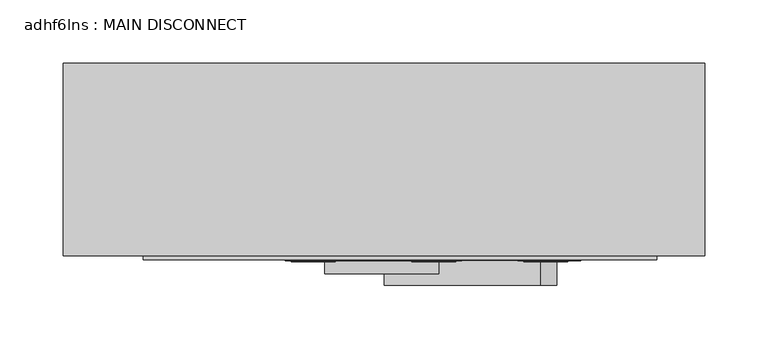
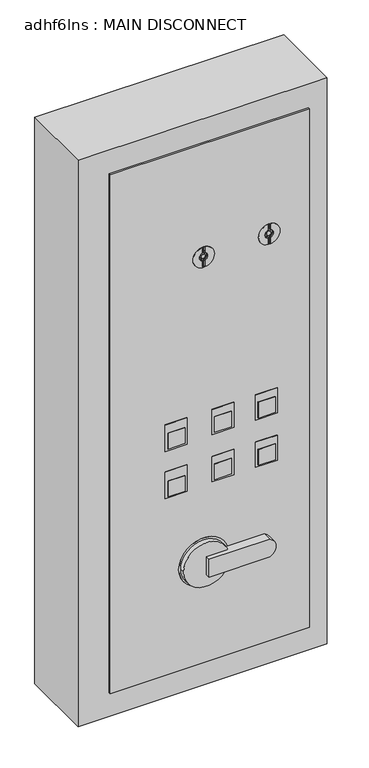
"""IFC4 building model written with IfcOpenShell, lengths in millimetres: proxy geometry, adhf6lns : MAIN DISCONNECT."""

from ifc_helpers import new_model, si_unit, point, frame, frame_2d, origin, place, context, project, spatial, polyline, circle_curve, trimmed, segment, composite_curve, outline, extrude, source, transform, mapped, element, save
from ifc_brep_helpers import plane_surface, revolved_surface, advanced_brep


def adhf6lns_main_disconnect_5f23b8db(model_context):
    return source(origin(), model_context, "Body", "SolidModel", [
        extrude(outline(polyline([(324.9952106, -65.8007901), (290.1306483, -65.8007901), (290.1306483, -58.5205903), (324.9952106, -58.5205903), (324.9952106, -65.8007901)])), frame((0.0, 0.0, 1352.3263984), z_axis=(0.0, 0.0, 1.0), x_axis=(1.0, 0.0, 0.0)), (0.0, 0.0, 1.0), 33.6843604),
        extrude(outline(polyline([(236.0952106, -65.8007901), (201.2306483, -65.8007901), (201.2306483, -58.5205903), (236.0952106, -58.5205903), (236.0952106, -65.8007901)])), frame((0.0, 0.0, 1352.3263984), z_axis=(0.0, 0.0, 1.0), x_axis=(1.0, 0.0, 0.0)), (0.0, 0.0, 1.0), 33.6843604),
        extrude(outline(polyline([(140.8452106, -65.8007901), (105.9806483, -65.8007901), (105.9806483, -58.5205903), (140.8452106, -58.5205903), (140.8452106, -65.8007901)])), frame((0.0, 0.0, 1348.3576484), z_axis=(0.0, 0.0, 1.0), x_axis=(1.0, 0.0, 0.0)), (0.0, 0.0, 1.0), 33.6843604),
        extrude(outline(polyline([(324.9952106, -65.8792726), (290.1306483, -65.8792726), (290.1306483, -58.5132726), (324.9952106, -58.5132726), (324.9952106, -65.8792726)])), frame((0.0, 0.0, 1454.0267412), z_axis=(0.0, 0.0, 1.0), x_axis=(1.0, 0.0, 0.0)), (0.0, 0.0, 1.0), 33.6843604),
        extrude(outline(polyline([(236.0952106, -65.8792726), (201.2306483, -65.8792726), (201.2306483, -58.5132726), (236.0952106, -58.5132726), (236.0952106, -65.8792726)])), frame((0.0, 0.0, 1454.0267412), z_axis=(0.0, 0.0, 1.0), x_axis=(1.0, 0.0, 0.0)), (0.0, 0.0, 1.0), 33.6843604),
        extrude(outline(polyline([(140.8452106, -65.8792726), (105.9806483, -65.8792726), (105.9806483, -58.5132726), (140.8452106, -58.5132726), (140.8452106, -65.8792726)])), frame((0.0, 0.0, 1451.6454912), z_axis=(0.0, 0.0, 1.0), x_axis=(1.0, 0.0, 0.0)), (0.0, 0.0, 1.0), 33.6843604),
        extrude(outline(polyline([(145.5268519, -65.1172726), (101.0768519, -65.1172726), (101.0768519, -24.8791734), (145.5268519, -24.8791734), (145.5268519, -65.1172726)])), frame((0.0, 0.0, 1345.9279724), z_axis=(0.0, 0.0, 1.0), x_axis=(1.0, 0.0, 0.0)), (0.0, 0.0, 1.0), 57.15),
        extrude(outline(polyline([(240.7768519, -65.1172726), (196.3268519, -65.1172726), (196.3268519, -24.8791734), (240.7768519, -24.8791734), (240.7768519, -65.1172726)])), frame((0.0, 0.0, 1349.1029724), z_axis=(0.0, 0.0, 1.0), x_axis=(1.0, 0.0, 0.0)), (0.0, 0.0, 1.0), 53.975),
        extrude(outline(polyline([(329.6768519, -65.1172726), (285.2268519, -65.1172726), (285.2268519, -24.8791734), (329.6768519, -24.8791734), (329.6768519, -65.1172726)])), frame((0.0, 0.0, 1349.1029724), z_axis=(0.0, 0.0, 1.0), x_axis=(1.0, 0.0, 0.0)), (0.0, 0.0, 1.0), 53.975),
        extrude(outline(polyline([(145.5268519, -65.1172726), (101.0768519, -65.1172726), (101.0768519, -24.8791734), (145.5268519, -24.8791734), (145.5268519, -65.1172726)])), frame((0.0, 0.0, 1447.5279724), z_axis=(0.0, 0.0, 1.0), x_axis=(1.0, 0.0, 0.0)), (0.0, 0.0, 1.0), 57.15),
        extrude(outline(polyline([(240.7768519, -65.1172726), (196.3268519, -65.1172726), (196.3268519, -24.8791734), (240.7768519, -24.8791734), (240.7768519, -65.1172726)])), frame((0.0, 0.0, 1450.7029724), z_axis=(0.0, 0.0, 1.0), x_axis=(1.0, 0.0, 0.0)), (0.0, 0.0, 1.0), 53.975),
        extrude(outline(polyline([(329.6768519, -65.1172726), (285.2268519, -65.1172726), (285.2268519, -24.8791734), (329.6768519, -24.8791734), (329.6768519, -65.1172726)])), frame((0.0, 0.0, 1450.7029724), z_axis=(0.0, 0.0, 1.0), x_axis=(1.0, 0.0, 0.0)), (0.0, 0.0, 1.0), 53.975),
        extrude(outline(composite_curve([segment(trimmed(circle_curve(frame_2d((1841.8741479, 313.2987222)), 4.2187176), [point((1841.8741479, 309.0800045))], [point((1841.8741479, 317.5174398))], False, "CARTESIAN"), True, "CONTINUOUS"), segment(trimmed(circle_curve(frame_2d((1841.8741479, 313.2987222)), 4.2187176), [point((1841.8741479, 317.5174398))], [point((1841.8741479, 309.0800045))], False, "CARTESIAN"), True, "CONTINUOUS")], self_intersect=False)), frame((0.0, -62.7941271, 0.0), z_axis=(0.0, 1.0, 0.0), x_axis=(0.0, 0.0, 1.0)), (0.0, 0.0, 1.0), 8.4350964),
        extrude(outline(composite_curve([segment(trimmed(circle_curve(frame_2d((1839.4928979, 179.299363)), 4.2187176), [point((1839.4928979, 175.0806453))], [point((1839.4928979, 183.5180806))], False, "CARTESIAN"), True, "CONTINUOUS"), segment(trimmed(circle_curve(frame_2d((1839.4928979, 179.299363)), 4.2187176), [point((1839.4928979, 183.5180806))], [point((1839.4928979, 175.0806453))], False, "CARTESIAN"), True, "CONTINUOUS")], self_intersect=False)), frame((0.0, -62.7941271, 0.0), z_axis=(0.0, 1.0, 0.0), x_axis=(0.0, 0.0, 1.0)), (0.0, 0.0, 1.0), 8.4350964),
        extrude(outline(composite_curve([segment(trimmed(circle_curve(frame_2d((1841.6472408, 313.3932634)), 21.844), [point((1841.6472408, 291.5492634))], [point((1841.6472408, 335.2372634))], False, "CARTESIAN"), True, "CONTINUOUS"), segment(trimmed(circle_curve(frame_2d((1841.6472408, 313.3932634)), 21.844), [point((1841.6472408, 335.2372634))], [point((1841.6472408, 291.5492634))], False, "CARTESIAN"), True, "CONTINUOUS")], self_intersect=False), holes=[composite_curve([segment(polyline([(1862.1743394, 311.3143472), (1862.1743394, 315.8298976), (1850.0112759, 315.8298976)]), True, "CONTINUOUS"), segment(trimmed(circle_curve(frame_2d((1841.8741479, 313.2987222)), 8.5217195), [point((1850.0112759, 315.8298976))], [point((1833.7370198, 315.8298976))], True, "CARTESIAN"), True, "CONTINUOUS"), segment(polyline([(1833.7370198, 315.8298976), (1820.5830491, 315.8298976), (1820.5830491, 311.3143472), (1833.5866899, 311.3143472)]), True, "CONTINUOUS"), segment(trimmed(circle_curve(frame_2d((1841.8741479, 313.2987222)), 8.5217195), [point((1833.5866899, 311.3143472))], [point((1850.1616058, 311.3143472))], True, "CARTESIAN"), True, "CONTINUOUS"), segment(polyline([(1850.1616058, 311.3143472), (1862.1743394, 311.3143472)]), True, "CONTINUOUS")], self_intersect=False)]), frame((0.0, -64.9245996, 0.0), z_axis=(0.0, 1.0, 0.0), x_axis=(0.0, 0.0, 1.0)), (0.0, 0.0, 1.0), 2.1304725),
        extrude(outline(composite_curve([segment(trimmed(circle_curve(frame_2d((1838.8250168, 179.3693622)), 21.8161271), [point((1838.8250168, 157.553235))], [point((1838.8250168, 201.1854893))], False, "CARTESIAN"), True, "CONTINUOUS"), segment(trimmed(circle_curve(frame_2d((1838.8250168, 179.3693622)), 21.8161271), [point((1838.8250168, 201.1854893))], [point((1838.8250168, 157.553235))], False, "CARTESIAN"), True, "CONTINUOUS")], self_intersect=False), holes=[composite_curve([segment(polyline([(1859.7930894, 177.1705972), (1859.7930894, 181.6861476), (1847.6300259, 181.6861476)]), True, "CONTINUOUS"), segment(trimmed(circle_curve(frame_2d((1839.4928979, 179.1549722)), 8.5217195), [point((1847.6300259, 181.6861476))], [point((1831.3557698, 181.6861476))], True, "CARTESIAN"), True, "CONTINUOUS"), segment(polyline([(1831.3557698, 181.6861476), (1818.2017991, 181.6861476), (1818.2017991, 177.1705972), (1831.2054399, 177.1705972)]), True, "CONTINUOUS"), segment(trimmed(circle_curve(frame_2d((1839.4928979, 179.1549722)), 8.5217195), [point((1831.2054399, 177.1705972))], [point((1847.7803558, 177.1705972))], True, "CARTESIAN"), True, "CONTINUOUS"), segment(polyline([(1847.7803558, 177.1705972), (1859.7930894, 177.1705972)]), True, "CONTINUOUS")], self_intersect=False)]), frame((0.0, -64.9245996, 0.0), z_axis=(0.0, 1.0, 0.0), x_axis=(0.0, 0.0, 1.0)), (0.0, 0.0, 1.0), 2.1304725),
        extrude(outline(polyline([(965.2, -11.1306378), (965.2, 395.2693622), (2082.8, 395.2693622), (2082.8, -11.1306378), (965.2, -11.1306378)]), holes=[composite_curve([segment(polyline([(1862.1743394, 311.3143472), (1862.1743394, 315.8298976), (1850.0112759, 315.8298976)]), True, "CONTINUOUS"), segment(trimmed(circle_curve(frame_2d((1841.8741479, 313.2987222)), 8.5217195), [point((1850.0112759, 315.8298976))], [point((1833.7370198, 315.8298976))], True, "CARTESIAN"), True, "CONTINUOUS"), segment(polyline([(1833.7370198, 315.8298976), (1820.5830491, 315.8298976), (1820.5830491, 311.3143472), (1833.5866899, 311.3143472)]), True, "CONTINUOUS"), segment(trimmed(circle_curve(frame_2d((1841.8741479, 313.2987222)), 8.5217195), [point((1833.5866899, 311.3143472))], [point((1850.1616058, 311.3143472))], True, "CARTESIAN"), True, "CONTINUOUS"), segment(polyline([(1850.1616058, 311.3143472), (1862.1743394, 311.3143472)]), True, "CONTINUOUS")], self_intersect=False), composite_curve([segment(polyline([(1859.7930894, 177.1705972), (1859.7930894, 181.6861476), (1847.6300259, 181.6861476)]), True, "CONTINUOUS"), segment(trimmed(circle_curve(frame_2d((1839.4928979, 179.1549722)), 8.5217195), [point((1847.6300259, 181.6861476))], [point((1831.3557698, 181.6861476))], True, "CARTESIAN"), True, "CONTINUOUS"), segment(polyline([(1831.3557698, 181.6861476), (1818.2017991, 181.6861476), (1818.2017991, 177.1705972), (1831.2054399, 177.1705972)]), True, "CONTINUOUS"), segment(trimmed(circle_curve(frame_2d((1839.4928979, 179.1549722)), 8.5217195), [point((1831.2054399, 177.1705972))], [point((1847.7803558, 177.1705972))], True, "CARTESIAN"), True, "CONTINUOUS"), segment(polyline([(1847.7803558, 177.1705972), (1859.7930894, 177.1705972)]), True, "CONTINUOUS")], self_intersect=False)]), frame((0.0, -64.3990561, 0.0), z_axis=(0.0, 1.0, 0.0), x_axis=(0.0, 0.0, 1.0)), (0.0, 0.0, 1.0), 3.302),
        advanced_brep(
        [(433.3693622, -61.0970561, 2133.6), (433.3693622, 91.3029439, 2133.6), (-74.6306378, 91.3029439, 2133.6), (-74.6306378, -61.0970561, 2133.6), (433.3693622, -61.0970561, 914.4), (-74.6306378, -61.0970561, 914.4), (-74.6306378, 91.3029439, 914.4), (433.3693622, 91.3029439, 914.4), (311.3143472, -61.0970561, 1862.1743394), (315.8298976, -61.0970561, 1862.1743394), (315.8298976, -61.0970561, 1850.0112759), (315.8298976, -61.0970561, 1833.7370198), (315.8298976, -61.0970561, 1820.5830491), (311.3143472, -61.0970561, 1820.5830491), (311.3143472, -61.0970561, 1833.5866899), (311.3143472, -61.0970561, 1850.1616058), (177.1705972, -61.0970561, 1859.7930894), (181.6861476, -61.0970561, 1859.7930894), (181.6861476, -61.0970561, 1847.6300259), (181.6861476, -61.0970561, 1831.3557698), (181.6861476, -61.0970561, 1818.2017991), (177.1705972, -61.0970561, 1818.2017991), (177.1705972, -61.0970561, 1831.2054399), (177.1705972, -61.0970561, 1847.7803558), (311.3143472, -54.3590307, 1862.1743394), (311.3143472, -54.3590307, 1850.1616058), (311.3143472, -54.3590307, 1833.5866899), (311.3143472, -54.3590307, 1820.5830491), (315.8298976, -54.3590307, 1820.5830491), (315.8298976, -54.3590307, 1833.7370198), (315.8298976, -54.3590307, 1850.0112759), (315.8298976, -54.3590307, 1862.1743394), (177.1705972, -54.3590307, 1859.7930894), (177.1705972, -54.3590307, 1847.7803558), (177.1705972, -54.3590307, 1831.2054399), (177.1705972, -54.3590307, 1818.2017991), (181.6861476, -54.3590307, 1818.2017991), (181.6861476, -54.3590307, 1831.3557698), (181.6861476, -54.3590307, 1847.6300259), (181.6861476, -54.3590307, 1859.7930894)],
        [
            (0, 1),
            (1, 2),
            (2, 3),
            (3, 0),
            (4, 5),
            (5, 6),
            (6, 7),
            (7, 4),
            (0, 4),
            (7, 1),
            (6, 2),
            (5, 3),
            (8, 9),
            (9, 10),
            (10, 11, circle_curve(frame((313.2987222, -61.0970561, 1841.8741479), z_axis=(0.0, 1.0, 0.0), x_axis=(-1.0, 0.0, 0.0)), 8.5217195)),
            (11, 12),
            (12, 13),
            (13, 14),
            (14, 15, circle_curve(frame((313.2987222, -61.0970561, 1841.8741479), z_axis=(0.0, 1.0, 0.0), x_axis=(-1.0, 0.0, 0.0)), 8.5217195)),
            (15, 8),
            (16, 17),
            (17, 18),
            (18, 19, circle_curve(frame((179.1549722, -61.0970561, 1839.4928979), z_axis=(0.0, 1.0, 0.0), x_axis=(-1.0, 0.0, 0.0)), 8.5217195)),
            (19, 20),
            (20, 21),
            (21, 22),
            (22, 23, circle_curve(frame((179.1549722, -61.0970561, 1839.4928979), z_axis=(0.0, 1.0, 0.0), x_axis=(-1.0, 0.0, 0.0)), 8.5217195)),
            (23, 16),
            (24, 25),
            (25, 26, circle_curve(frame((313.2987222, -54.3590307, 1841.8741479), z_axis=(0.0, -1.0, 0.0), x_axis=(-1.0, 0.0, 0.0)), 8.5217195)),
            (26, 27),
            (27, 28),
            (28, 29),
            (29, 30, circle_curve(frame((313.2987222, -54.3590307, 1841.8741479), z_axis=(0.0, -1.0, 0.0), x_axis=(-1.0, 0.0, 0.0)), 8.5217195)),
            (30, 31),
            (31, 24),
            (32, 33),
            (33, 34, circle_curve(frame((179.1549722, -54.3590307, 1839.4928979), z_axis=(0.0, -1.0, 0.0), x_axis=(-1.0, 0.0, 0.0)), 8.5217195)),
            (34, 35),
            (35, 36),
            (36, 37),
            (37, 38, circle_curve(frame((179.1549722, -54.3590307, 1839.4928979), z_axis=(0.0, -1.0, 0.0), x_axis=(-1.0, 0.0, 0.0)), 8.5217195)),
            (38, 39),
            (39, 32),
            (31, 9),
            (8, 24),
            (30, 10),
            (29, 11),
            (28, 12),
            (27, 13),
            (26, 14),
            (25, 15),
            (39, 17),
            (16, 32),
            (38, 18),
            (37, 19),
            (36, 20),
            (35, 21),
            (34, 22),
            (33, 23),
        ],
        [
            plane_surface(frame((433.3693622, -61.0970561, 2133.6), z_axis=(0.0, 0.0, 1.0), x_axis=(0.0, 1.0, 0.0))),
            plane_surface(frame((433.3693622, -61.0970561, 914.4), z_axis=(0.0, 0.0, -1.0), x_axis=(0.0, -1.0, 0.0))),
            plane_surface(frame((433.3693622, -61.0970561, 2133.6), z_axis=(1.0, 0.0, 0.0), x_axis=(0.0, 0.0, -1.0))),
            plane_surface(frame((433.3693622, 91.3029439, 2133.6), z_axis=(0.0, 1.0, 0.0), x_axis=(0.0, 0.0, -1.0))),
            plane_surface(frame((-74.6306378, 91.3029439, 2133.6), z_axis=(-1.0, 0.0, 0.0), x_axis=(0.0, 0.0, -1.0))),
            plane_surface(frame((-74.6306378, -61.0970561, 2133.6), z_axis=(0.0, -1.0, 0.0), x_axis=(0.0, 0.0, -1.0))),
            plane_surface(frame((311.3143472, -54.3590307, 1862.1743394), z_axis=(0.0, -1.0, 0.0), x_axis=(1.0, 0.0, 0.0))),
            plane_surface(frame((311.3143472, -54.3590307, 1862.1743394), z_axis=(0.0, 0.0, -1.0), x_axis=(0.0, -1.0, 0.0))),
            plane_surface(frame((315.8298976, -54.3590307, 1862.1743394), z_axis=(-1.0, 0.0, 0.0), x_axis=(0.0, -1.0, 0.0))),
            revolved_surface(polyline([(304.77700269999997, -54.3590307, 1841.8741479), (304.77700269999997, -61.0970561, 1841.8741479)]), (313.2987222, -64.9245996, 1841.8741479), (0.0, 1.0, 0.0)),
            plane_surface(frame((315.8298976, -54.3590307, 1833.7370198), z_axis=(-1.0, 0.0, 0.0), x_axis=(0.0, -1.0, 0.0))),
            plane_surface(frame((315.8298976, -54.3590307, 1820.5830491), z_axis=(0.0, 0.0, 1.0), x_axis=(0.0, -1.0, 0.0))),
            plane_surface(frame((311.3143472, -54.3590307, 1820.5830491), z_axis=(1.0, 0.0, 0.0), x_axis=(0.0, -1.0, 0.0))),
            plane_surface(frame((311.3143472, -54.3590307, 1850.1616058), z_axis=(1.0, 0.0, 0.0), x_axis=(0.0, -1.0, 0.0))),
            plane_surface(frame((177.1705972, -54.3590307, 1859.7930894), z_axis=(0.0, 0.0, -1.0), x_axis=(0.0, -1.0, 0.0))),
            plane_surface(frame((181.6861476, -54.3590307, 1859.7930894), z_axis=(-1.0, 0.0, 0.0), x_axis=(0.0, -1.0, 0.0))),
            revolved_surface(polyline([(170.6332527, -54.3590307, 1839.4928979), (170.6332527, -61.0970561, 1839.4928979)]), (179.1549722, -64.9245996, 1839.4928979), (0.0, 1.0, 0.0)),
            plane_surface(frame((181.6861476, -54.3590307, 1831.3557698), z_axis=(-1.0, 0.0, 0.0), x_axis=(0.0, -1.0, 0.0))),
            plane_surface(frame((181.6861476, -54.3590307, 1818.2017991), z_axis=(0.0, 0.0, 1.0), x_axis=(0.0, -1.0, 0.0))),
            plane_surface(frame((177.1705972, -54.3590307, 1818.2017991), z_axis=(1.0, 0.0, 0.0), x_axis=(0.0, -1.0, 0.0))),
            plane_surface(frame((177.1705972, -54.3590307, 1847.7803558), z_axis=(1.0, 0.0, 0.0), x_axis=(0.0, -1.0, 0.0))),
        ],
        [
            (0, [[1, 2, 3, 4]]),
            (1, [[5, 6, 7, 8]]),
            (2, [[-1, 9, -8, 10]]),
            (3, [[-2, -10, -7, 11]]),
            (4, [[-3, -11, -6, 12]]),
            (5, [[-4, -12, -5, -9], [13, 14, 15, 16, 17, 18, 19, 20], [21, 22, 23, 24, 25, 26, 27, 28]]),
            (6, [[29, 30, 31, 32, 33, 34, 35, 36]]),
            (6, [[37, 38, 39, 40, 41, 42, 43, 44]]),
            (7, [[-36, 45, -13, 46]]),
            (8, [[-35, 47, -14, -45]]),
            (9, [[-34, 48, -15, -47]]),
            (10, [[-33, 49, -16, -48]]),
            (11, [[-32, 50, -17, -49]]),
            (12, [[-31, 51, -18, -50]]),
            (9, [[-30, 52, -19, -51]]),
            (13, [[-29, -46, -20, -52]]),
            (14, [[-44, 53, -21, 54]]),
            (15, [[-43, 55, -22, -53]]),
            (16, [[-42, 56, -23, -55]]),
            (17, [[-41, 57, -24, -56]]),
            (18, [[-40, 58, -25, -57]]),
            (19, [[-39, 59, -26, -58]]),
            (16, [[-38, 60, -27, -59]]),
            (20, [[-37, -54, -28, -60]]),
        ],
    ),
        extrude(outline(composite_curve([segment(polyline([(1199.5704919, 303.1247647), (1199.5704919, 179.3693622), (1161.4704919, 179.3693622), (1161.4704919, 303.1247647)]), True, "CONTINUOUS"), segment(trimmed(circle_curve(frame_2d((1180.5204919, 295.3736962)), 20.5665156), [point((1161.4704919, 303.1247647))], [point((1199.5704919, 303.1247647))], False, "CARTESIAN"), True, "CONTINUOUS")], self_intersect=False)), frame((0.0, -84.4092379, 0.0), z_axis=(0.0, 1.0, 0.0), x_axis=(0.0, 0.0, 1.0)), (0.0, 0.0, 1.0), 19.2919652),
        extrude(outline(composite_curve([segment(trimmed(circle_curve(frame_2d((1182.9656823, 179.3693622)), 46.9823562), [point((1182.9656823, 132.387006))], [point((1182.9656823, 226.3517183))], False, "CARTESIAN"), True, "CONTINUOUS"), segment(trimmed(circle_curve(frame_2d((1182.9656823, 179.3693622)), 46.9823562), [point((1182.9656823, 226.3517183))], [point((1182.9656823, 132.387006))], False, "CARTESIAN"), True, "CONTINUOUS")], self_intersect=False)), frame((0.0, -75.1111542, 0.0), z_axis=(0.0, 1.0, 0.0), x_axis=(0.0, 0.0, 1.0)), (0.0, 0.0, 1.0), 9.9938816),
        extrude(outline(composite_curve([segment(trimmed(circle_curve(frame_2d((1183.5298461, 179.3693622)), 50.8), [point((1183.5298461, 128.5693622))], [point((1183.5298461, 230.1693622))], False, "CARTESIAN"), True, "CONTINUOUS"), segment(trimmed(circle_curve(frame_2d((1183.5298461, 179.3693622)), 50.8), [point((1183.5298461, 230.1693622))], [point((1183.5298461, 128.5693622))], False, "CARTESIAN"), True, "CONTINUOUS")], self_intersect=False)), frame((0.0, -65.1172726, 0.0), z_axis=(0.0, 1.0, 0.0), x_axis=(0.0, 0.0, 1.0)), (0.0, 0.0, 1.0), 6.5966824),
    ])


if __name__ == "__main__":
    model = new_model("IFC4")
    model_context = context("Model", 3, world=origin())
    ifc_project = project(units=[si_unit("LENGTHUNIT", "METRE", prefix="MILLI")], contexts=[model_context])
    site = spatial("IfcSite", under=ifc_project)
    building = spatial("IfcBuilding", under=site)
    placement = place(None, origin())
    adhf6lns_main_disconnect_shape = adhf6lns_main_disconnect_5f23b8db(model_context)
    element("IfcBuildingElementProxy", 1, Name="adhf6lns : MAIN DISCONNECT", ObjectType="adhf6lns : MAIN DISCONNECT", at=placement, inside=building, context=model_context, shape_type="MappedRepresentation", body=[
        mapped(adhf6lns_main_disconnect_shape, transform((0.0, 0.0, 0.0), x_axis=(1.0, 0.0, 0.0), y_axis=(0.0, 1.0, 0.0), z_axis=(0.0, 0.0, 1.0))),
    ])
    save(model, "model.ifc")
